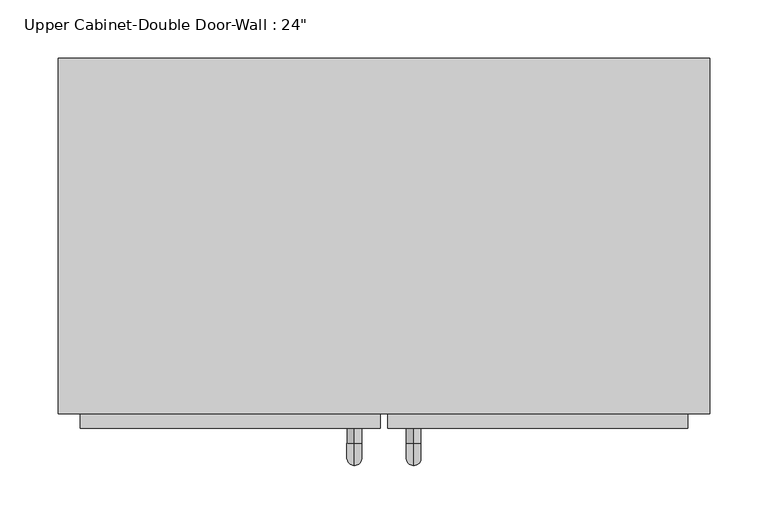
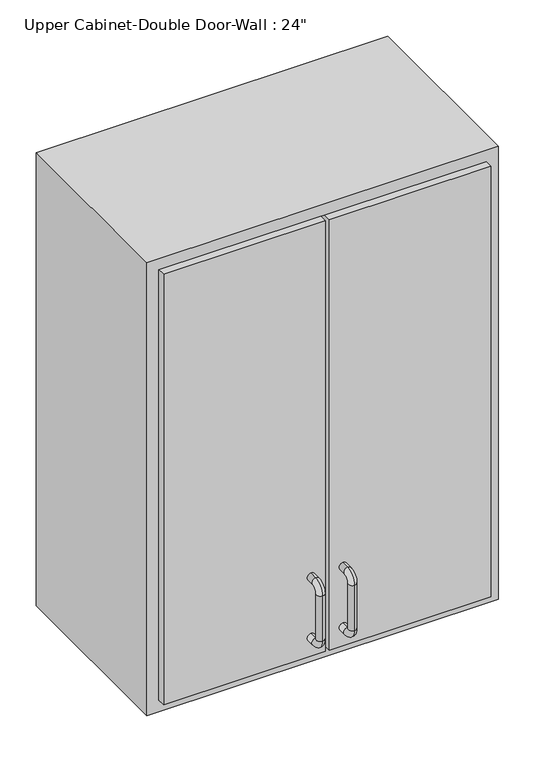
"""IFC4 building model written with IfcOpenShell, lengths in millimetres: furniture geometry."""

from ifc_helpers import new_model, si_unit, point, frame, origin, place, context, project, spatial, polyline, circle_curve, ellipse_curve, trimmed, outline, extrude, faceted_brep, source, transform, mapped, element, save
from ifc_brep_helpers import plane_surface, cylinder_surface, revolved_surface, advanced_brep


def furniture_051a98ab(model_context):
    return source(origin(), model_context, "Body", "SolidModel", [
        faceted_brep([(-249.6288372, -76.2, 2133.6), (309.1711628, -76.2, 2133.6), (309.1711628, -76.2, 1371.6), (-249.6288372, -76.2, 1371.6), (-249.6288372, -381.0, 2133.6), (-249.6288372, -381.0, 1371.6), (309.1711628, -381.0, 1371.6), (309.1711628, -381.0, 2133.6), (-230.5788372, -381.0, 2114.55), (290.1211628, -381.0, 2114.55), (290.1211628, -381.0, 1390.65), (-230.5788372, -381.0, 1390.65), (-230.5788372, -95.25, 2114.55), (290.1211628, -95.25, 2114.55), (290.1211628, -95.25, 1390.65), (-230.5788372, -95.25, 1390.65)], [[[0, 1, 2, 3]], [[4, 5, 6, 7], [8, 9, 10, 11]], [[3, 5, 4, 0]], [[2, 6, 5, 3]], [[1, 7, 6, 2]], [[0, 4, 7, 1]], [[8, 12, 13, 9]], [[9, 13, 14, 10]], [[10, 14, 15, 11]], [[11, 15, 12, 8]], [[12, 15, 14, 13]]]),
        advanced_brep(
        [(55.1711628, -393.7, 1517.65), (55.1711628, -393.7, 1530.35), (55.1711628, -406.4, 1530.35), (55.1711628, -406.4, 1517.65), (55.1711628, -425.45, 1511.3), (55.1711628, -412.75, 1511.3), (55.1711628, -425.45, 1435.1), (55.1711628, -412.75, 1435.1), (55.1711628, -406.4, 1416.05), (55.1711628, -406.4, 1428.75), (55.1711628, -393.7, 1428.75), (55.1711628, -393.7, 1416.05)],
        [
            (0, 1, circle_curve(frame((55.1711628, -393.7, 1524.0), z_axis=(0.0, 1.0, 0.0), x_axis=(0.0, 0.0, -1.0)), 6.35)),
            (1, 0, circle_curve(frame((55.1711628, -393.7, 1524.0), z_axis=(0.0, 1.0, 0.0), x_axis=(0.0, 0.0, -1.0)), 6.35)),
            (1, 2),
            (2, 3, circle_curve(frame((55.1711628, -406.4, 1524.0), z_axis=(0.0, 1.0, 0.0), x_axis=(0.0, 0.0, -1.0)), 6.35)),
            (3, 0),
            (3, 2, circle_curve(frame((55.1711628, -406.4, 1524.0), z_axis=(0.0, 1.0, 0.0), x_axis=(0.0, 0.0, -1.0)), 6.35)),
            (4, 5, circle_curve(frame((55.1711628, -419.1, 1511.3), z_axis=(0.0, 0.0, 1.0), x_axis=(0.0, 1.0, 0.0)), 6.35)),
            (5, 3, circle_curve(frame((55.1711628, -406.4, 1511.3), z_axis=(-1.0, 0.0, 0.0), x_axis=(0.0, 0.0, 1.0)), 6.35)),
            (2, 4, circle_curve(frame((55.1711628, -406.4, 1511.3), z_axis=(1.0, 0.0, 0.0), x_axis=(0.0, 0.0, 1.0)), 19.05)),
            (5, 4, circle_curve(frame((55.1711628, -419.1, 1511.3), z_axis=(0.0, 0.0, 1.0), x_axis=(0.0, 1.0, 0.0)), 6.35)),
            (4, 6),
            (6, 7, circle_curve(frame((55.1711628, -419.1, 1435.1), z_axis=(0.0, 0.0, 1.0), x_axis=(0.0, 1.0, 0.0)), 6.35)),
            (7, 5),
            (7, 6, circle_curve(frame((55.1711628, -419.1, 1435.1), z_axis=(0.0, 0.0, 1.0), x_axis=(0.0, 1.0, 0.0)), 6.35)),
            (8, 9, circle_curve(frame((55.1711628, -406.4, 1422.4), z_axis=(0.0, -1.0, 0.0), x_axis=(0.0, 0.0, 1.0)), 6.35)),
            (9, 7, circle_curve(frame((55.1711628, -406.4, 1435.1), z_axis=(-1.0, 0.0, 0.0), x_axis=(0.0, -1.0, 0.0)), 6.35)),
            (6, 8, circle_curve(frame((55.1711628, -406.4, 1435.1), z_axis=(1.0, 0.0, 0.0), x_axis=(0.0, -1.0, 0.0)), 19.05)),
            (9, 8, circle_curve(frame((55.1711628, -406.4, 1422.4), z_axis=(0.0, -1.0, 0.0), x_axis=(0.0, 0.0, 1.0)), 6.35)),
            (10, 11, circle_curve(frame((55.1711628, -393.7, 1422.4), z_axis=(0.0, 1.0, 0.0), x_axis=(0.0, 0.0, 1.0)), 6.35)),
            (11, 10, circle_curve(frame((55.1711628, -393.7, 1422.4), z_axis=(0.0, 1.0, 0.0), x_axis=(0.0, 0.0, 1.0)), 6.35)),
            (8, 11),
            (10, 9),
        ],
        [
            plane_surface(frame((48.8211628, -393.7, 1524.0), z_axis=(0.0, 1.0, 0.0), x_axis=(0.0, 0.0, 1.0))),
            cylinder_surface(frame((55.1711628, -393.7, 1524.0), z_axis=(0.0, 1.0, 0.0), x_axis=(0.0, 0.0, -1.0)), 6.35),
            revolved_surface(trimmed(ellipse_curve(frame((55.1711628, -406.4, 1524.0), z_axis=(0.0, -1.0, 0.0), x_axis=(0.0, 0.0, -1.0)), 6.35, 6.35), [point((55.1711628, -406.4, 1517.65))], [point((55.1711628, -406.4, 1530.35))], True, "CARTESIAN"), (55.1711628, -406.4, 1511.3), (-1.0, 0.0, 0.0)),
            revolved_surface(trimmed(ellipse_curve(frame((55.1711628, -406.4, 1524.0), z_axis=(0.0, -1.0, 0.0), x_axis=(0.0, 0.0, -1.0)), 6.35, 6.35), [point((55.1711628, -406.4, 1530.35))], [point((55.1711628, -406.4, 1517.65))], True, "CARTESIAN"), (55.1711628, -406.4, 1511.3), (-1.0, 0.0, 0.0)),
            cylinder_surface(frame((55.1711628, -419.1, 1511.3), z_axis=(0.0, 0.0, 1.0), x_axis=(0.0, 1.0, 0.0)), 6.35),
            revolved_surface(trimmed(ellipse_curve(frame((55.1711628, -419.1, 1435.1), z_axis=(0.0, 0.0, -1.0), x_axis=(0.0, 1.0, 0.0)), 6.35, 6.35), [point((55.1711628, -412.75, 1435.1))], [point((55.1711628, -425.45, 1435.1))], True, "CARTESIAN"), (55.1711628, -406.4, 1435.1), (-1.0, 0.0, 0.0)),
            revolved_surface(trimmed(ellipse_curve(frame((55.1711628, -419.1, 1435.1), z_axis=(0.0, 0.0, -1.0), x_axis=(0.0, 1.0, 0.0)), 6.35, 6.35), [point((55.1711628, -425.45, 1435.1))], [point((55.1711628, -412.75, 1435.1))], True, "CARTESIAN"), (55.1711628, -406.4, 1435.1), (-1.0, 0.0, 0.0)),
            plane_surface(frame((48.8211628, -393.7, 1422.4), z_axis=(0.0, 1.0, 0.0), x_axis=(0.0, 0.0, -1.0))),
            cylinder_surface(frame((55.1711628, -406.4, 1422.4), z_axis=(0.0, -1.0, 0.0), x_axis=(0.0, 0.0, 1.0)), 6.35),
        ],
        [
            (0, [[1, 2]]),
            (1, [[3, 4, 5, -2]]),
            (1, [[-5, 6, -3, -1]]),
            (2, [[7, 8, -4, 9]]),
            (3, [[10, -9, -6, -8]]),
            (4, [[11, 12, 13, -7]]),
            (4, [[-13, 14, -11, -10]]),
            (5, [[15, 16, -12, 17]]),
            (6, [[18, -17, -14, -16]]),
            (7, [[19, 20]]),
            (8, [[21, -19, 22, -15]]),
            (8, [[-22, -20, -21, -18]]),
        ],
    ),
        advanced_brep(
        [(4.3711628, -393.7, 1517.65), (4.3711628, -393.7, 1530.35), (4.3711628, -406.4, 1530.35), (4.3711628, -406.4, 1517.65), (4.3711628, -425.45, 1511.3), (4.3711628, -412.75, 1511.3), (4.3711628, -425.45, 1435.1), (4.3711628, -412.75, 1435.1), (4.3711628, -406.4, 1416.05), (4.3711628, -406.4, 1428.75), (4.3711628, -393.7, 1428.75), (4.3711628, -393.7, 1416.05)],
        [
            (0, 1, circle_curve(frame((4.3711628, -393.7, 1524.0), z_axis=(0.0, 1.0, 0.0), x_axis=(0.0, 0.0, 1.0)), 6.35)),
            (1, 0, circle_curve(frame((4.3711628, -393.7, 1524.0), z_axis=(0.0, 1.0, 0.0), x_axis=(0.0, 0.0, 1.0)), 6.35)),
            (1, 2),
            (2, 3, circle_curve(frame((4.3711628, -406.4, 1524.0), z_axis=(0.0, 1.0, 0.0), x_axis=(0.0, 0.0, 1.0)), 6.35)),
            (3, 0),
            (3, 2, circle_curve(frame((4.3711628, -406.4, 1524.0), z_axis=(0.0, 1.0, 0.0), x_axis=(0.0, 0.0, 1.0)), 6.35)),
            (4, 5, circle_curve(frame((4.3711628, -419.1, 1511.3), z_axis=(0.0, 0.0, 1.0), x_axis=(0.0, -1.0, 0.0)), 6.35)),
            (5, 3, circle_curve(frame((4.3711628, -406.4, 1511.3), z_axis=(-1.0, 0.0, 0.0), x_axis=(0.0, 0.0, 1.0)), 6.35)),
            (2, 4, circle_curve(frame((4.3711628, -406.4, 1511.3), z_axis=(1.0, 0.0, 0.0), x_axis=(0.0, 0.0, 1.0)), 19.05)),
            (5, 4, circle_curve(frame((4.3711628, -419.1, 1511.3), z_axis=(0.0, 0.0, 1.0), x_axis=(0.0, -1.0, 0.0)), 6.35)),
            (4, 6),
            (6, 7, circle_curve(frame((4.3711628, -419.1, 1435.1), z_axis=(0.0, 0.0, 1.0), x_axis=(0.0, -1.0, 0.0)), 6.35)),
            (7, 5),
            (7, 6, circle_curve(frame((4.3711628, -419.1, 1435.1), z_axis=(0.0, 0.0, 1.0), x_axis=(0.0, -1.0, 0.0)), 6.35)),
            (8, 9, circle_curve(frame((4.3711628, -406.4, 1422.4), z_axis=(0.0, -1.0, 0.0), x_axis=(0.0, 0.0, -1.0)), 6.35)),
            (9, 7, circle_curve(frame((4.3711628, -406.4, 1435.1), z_axis=(-1.0, 0.0, 0.0), x_axis=(0.0, -1.0, 0.0)), 6.35)),
            (6, 8, circle_curve(frame((4.3711628, -406.4, 1435.1), z_axis=(1.0, 0.0, 0.0), x_axis=(0.0, -1.0, 0.0)), 19.05)),
            (9, 8, circle_curve(frame((4.3711628, -406.4, 1422.4), z_axis=(0.0, -1.0, 0.0), x_axis=(0.0, 0.0, -1.0)), 6.35)),
            (10, 11, circle_curve(frame((4.3711628, -393.7, 1422.4), z_axis=(0.0, 1.0, 0.0), x_axis=(0.0, 0.0, -1.0)), 6.35)),
            (11, 10, circle_curve(frame((4.3711628, -393.7, 1422.4), z_axis=(0.0, 1.0, 0.0), x_axis=(0.0, 0.0, -1.0)), 6.35)),
            (8, 11),
            (10, 9),
        ],
        [
            plane_surface(frame((-1.9788372, -393.7, 1524.0), z_axis=(0.0, 1.0, 0.0), x_axis=(0.0, 0.0, 1.0))),
            cylinder_surface(frame((4.3711628, -393.7, 1524.0), z_axis=(0.0, 1.0, 0.0), x_axis=(0.0, 0.0, 1.0)), 6.35),
            revolved_surface(trimmed(ellipse_curve(frame((4.3711628, -406.4, 1524.0), z_axis=(0.0, -1.0, 0.0), x_axis=(0.0, 0.0, 1.0)), 6.35, 6.35), [point((4.3711628, -406.4, 1517.65))], [point((4.3711628, -406.4, 1530.35))], True, "CARTESIAN"), (4.3711628, -406.4, 1511.3), (-1.0, 0.0, 0.0)),
            revolved_surface(trimmed(ellipse_curve(frame((4.3711628, -406.4, 1524.0), z_axis=(0.0, -1.0, 0.0), x_axis=(0.0, 0.0, 1.0)), 6.35, 6.35), [point((4.3711628, -406.4, 1530.35))], [point((4.3711628, -406.4, 1517.65))], True, "CARTESIAN"), (4.3711628, -406.4, 1511.3), (-1.0, 0.0, 0.0)),
            cylinder_surface(frame((4.3711628, -419.1, 1511.3), z_axis=(0.0, 0.0, 1.0), x_axis=(0.0, -1.0, 0.0)), 6.35),
            revolved_surface(trimmed(ellipse_curve(frame((4.3711628, -419.1, 1435.1), z_axis=(0.0, 0.0, -1.0), x_axis=(0.0, -1.0, 0.0)), 6.35, 6.35), [point((4.3711628, -412.75, 1435.1))], [point((4.3711628, -425.45, 1435.1))], True, "CARTESIAN"), (4.3711628, -406.4, 1435.1), (-1.0, 0.0, 0.0)),
            revolved_surface(trimmed(ellipse_curve(frame((4.3711628, -419.1, 1435.1), z_axis=(0.0, 0.0, -1.0), x_axis=(0.0, -1.0, 0.0)), 6.35, 6.35), [point((4.3711628, -425.45, 1435.1))], [point((4.3711628, -412.75, 1435.1))], True, "CARTESIAN"), (4.3711628, -406.4, 1435.1), (-1.0, 0.0, 0.0)),
            plane_surface(frame((-1.9788372, -393.7, 1422.4), z_axis=(0.0, 1.0, 0.0), x_axis=(0.0, 0.0, -1.0))),
            cylinder_surface(frame((4.3711628, -406.4, 1422.4), z_axis=(0.0, -1.0, 0.0), x_axis=(0.0, 0.0, -1.0)), 6.35),
        ],
        [
            (0, [[1, 2]]),
            (1, [[3, 4, 5, -2]]),
            (1, [[-5, 6, -3, -1]]),
            (2, [[7, 8, -4, 9]]),
            (3, [[10, -9, -6, -8]]),
            (4, [[11, 12, 13, -7]]),
            (4, [[-13, 14, -11, -10]]),
            (5, [[15, 16, -12, 17]]),
            (6, [[18, -17, -14, -16]]),
            (7, [[19, 20]]),
            (8, [[21, -19, 22, -15]]),
            (8, [[-22, -20, -21, -18]]),
        ],
    ),
        extrude(outline(polyline([(32.9461628, -393.7), (32.9461628, -361.95), (290.1211628, -361.95), (290.1211628, -393.7), (32.9461628, -393.7)])), frame((0.0, 0.0, 1390.65), z_axis=(0.0, 0.0, 1.0), x_axis=(1.0, 0.0, 0.0)), (0.0, 0.0, 1.0), 723.9),
        extrude(outline(polyline([(-230.5788372, -393.7), (-230.5788372, -361.95), (26.5961628, -361.95), (26.5961628, -393.7), (-230.5788372, -393.7)])), frame((0.0, 0.0, 1390.65), z_axis=(0.0, 0.0, 1.0), x_axis=(1.0, 0.0, 0.0)), (0.0, 0.0, 1.0), 723.9),
    ])


if __name__ == "__main__":
    model = new_model("IFC4")
    model_context = context("Model", 3, world=origin())
    ifc_project = project(units=[si_unit("LENGTHUNIT", "METRE", prefix="MILLI")], contexts=[model_context])
    site = spatial("IfcSite", under=ifc_project)
    building = spatial("IfcBuilding", under=site)
    placement = place(None, origin())
    furniture_shape = furniture_051a98ab(model_context)
    element("IfcFurniture", 1, ObjectType="Upper Cabinet-Double Door-Wall : 24\"", at=placement, inside=building, context=model_context, shape_type="MappedRepresentation", body=[
        mapped(furniture_shape, transform((0.0, 0.0, 0.0), x_axis=(1.0, 0.0, 0.0), y_axis=(0.0, 1.0, 0.0), z_axis=(0.0, 0.0, 1.0))),
    ])
    save(model, "model.ifc")
